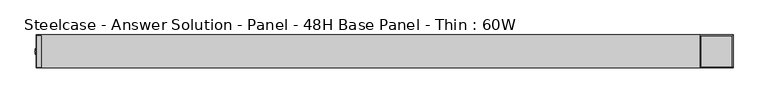
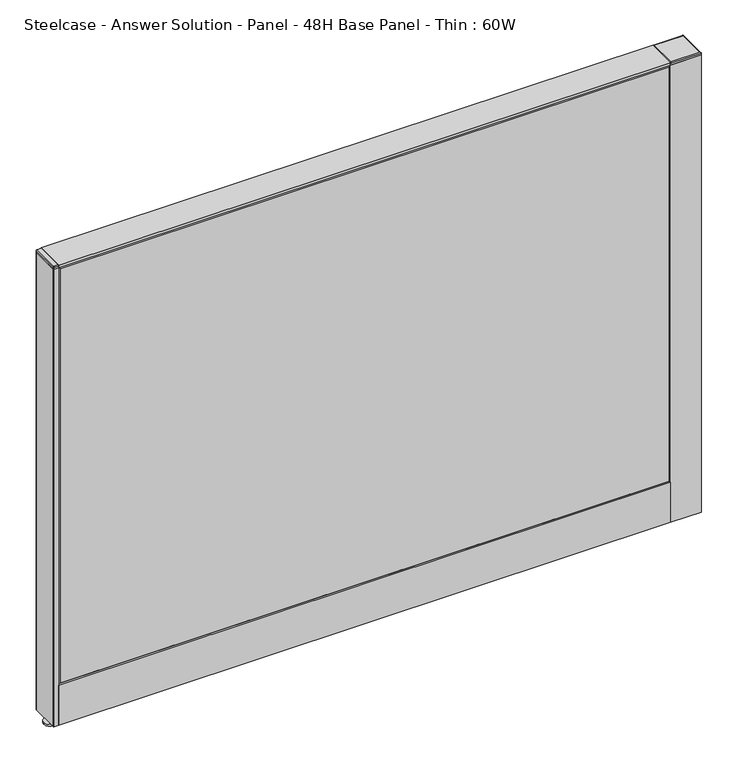
"""IFC4 building model written with IfcOpenShell, lengths in millimetres: furniture geometry, Steelcase - Answer Solution - Panel - 48H Base Panel - Thin : 60W."""

from ifc_helpers import new_model, si_unit, point, frame, frame_2d, origin, place, context, project, spatial, polyline, circle_curve, ellipse_curve, trimmed, segment, composite_curve, outline, extrude, faceted_brep, source, transform, mapped, element, save
from ifc_brep_helpers import plane_surface, cylinder_surface, revolved_surface, advanced_brep


def steelcase_answer_solution_panel_48h_base_panel_thin_60w_dbff73ae(model_context):
    return source(origin(), model_context, "Body", "SolidModel", [
        extrude(outline(polyline([(37.3075215, 119.8575157), (25.4000011, 119.8575157), (25.4000011, 120.65), (38.1000194, 120.65), (38.1000194, 15.494), (37.3075215, 15.494), (37.3075215, 119.8575157)])), frame((-762.0, 0.0, 0.0), z_axis=(1.0, 0.0, 0.0), x_axis=(0.0, 1.0, 0.0)), (0.0, 0.0, 1.0), 1524.0),
        extrude(outline(polyline([(-37.3075215, 119.8575157), (-37.3075215, 15.494), (-38.1000194, 15.494), (-38.1000194, 120.65), (-25.4000011, 120.65), (-25.4000011, 119.8575157), (-37.3075215, 119.8575157)])), frame((-762.0, 0.0, 0.0), z_axis=(1.0, 0.0, 0.0), x_axis=(0.0, 1.0, 0.0)), (0.0, 0.0, 1.0), 1524.0),
        extrude(outline(composite_curve([segment(trimmed(circle_curve(frame_2d((800.1, -1.94e-05)), 5.08), [point((805.18, -1.94e-05))], [point((795.02, -1.94e-05))], False, "CARTESIAN"), True, "CONTINUOUS"), segment(trimmed(circle_curve(frame_2d((800.1, -1.94e-05)), 5.08), [point((795.02, -1.94e-05))], [point((805.18, -1.94e-05))], False, "CARTESIAN"), True, "CONTINUOUS")], self_intersect=False)), frame((0.0, 0.0, 5.0799671), z_axis=(0.0, 0.0, 1.0), x_axis=(1.0, 0.0, 0.0)), (0.0, 0.0, 1.0), 10.414),
        extrude(outline(composite_curve([segment(trimmed(circle_curve(frame_2d((800.1, -1.94e-05)), 15.24), [point((815.34, -1.94e-05))], [point((784.86, -1.94e-05))], False, "CARTESIAN"), True, "CONTINUOUS"), segment(trimmed(circle_curve(frame_2d((800.1, -1.94e-05)), 15.24), [point((784.86, -1.94e-05))], [point((815.34, -1.94e-05))], False, "CARTESIAN"), True, "CONTINUOUS")], self_intersect=False)), frame((0.0, 0.0, -3.29e-05), z_axis=(0.0, 0.0, 1.0), x_axis=(1.0, 0.0, 0.0)), (0.0, 0.0, 1.0), 5.08),
        advanced_brep(
        [(836.422, 36.322, 1225.5499671), (838.2, 38.1, 1223.7719671), (762.0, 38.1, 1223.7719671), (763.778, 36.322, 1225.5499671), (762.0, -38.1, 1223.7719671), (763.778, -36.322, 1225.5499671), (838.2, -38.1, 1223.7719671), (836.422, -36.322, 1225.5499671), (762.0, -38.1, 1219.1999671), (762.0, 38.1, 1219.1999671), (838.2, 38.1, 1219.1999671), (838.2, -38.1, 1219.1999671)],
        [
            (0, 1, ellipse_curve(frame((836.3231577, 36.2231577, 1223.6731247), z_axis=(-0.7071067811865449, 0.7071067811865501, 0.0), x_axis=(0.7071067811865501, 0.7071067811865448, 0.0)), 2.6579341, 1.8794432)),
            (1, 2),
            (2, 3, ellipse_curve(frame((763.8768423, 36.2231577, 1223.6731247), z_axis=(0.7071067811865501, 0.7071067811865449, 0.0), x_axis=(0.7071067811865448, -0.7071067811865501, 0.0)), 2.6579341, 1.8794432)),
            (3, 0),
            (2, 4),
            (4, 5, ellipse_curve(frame((763.8768423, -36.2231577, 1223.6731247), z_axis=(-0.7071067811865449, 0.7071067811865501, 0.0), x_axis=(0.7071067811865501, 0.7071067811865448, 0.0)), 2.6579341, 1.8794432)),
            (5, 3),
            (4, 6),
            (6, 7, ellipse_curve(frame((836.3231577, -36.2231577, 1223.6731247), z_axis=(-0.7071067811865501, -0.7071067811865449, 0.0), x_axis=(-0.7071067811865448, 0.7071067811865501, 0.0)), 2.6579341, 1.8794432)),
            (7, 5),
            (0, 7),
            (6, 1),
            (8, 9),
            (9, 10),
            (10, 11),
            (11, 8),
            (11, 6),
            (4, 8),
            (10, 1),
            (9, 2),
        ],
        [
            cylinder_surface(frame((838.2, 36.2231577, 1223.6731247), z_axis=(1.0, 0.0, 0.0), x_axis=(0.0, -1.0, 0.0)), 1.8794432),
            cylinder_surface(frame((763.8768423, 38.1, 1223.6731247), z_axis=(0.0, 1.0, 0.0), x_axis=(1.0, 0.0, 0.0)), 1.8794432),
            cylinder_surface(frame((762.0, -36.2231577, 1223.6731247), z_axis=(-1.0, 0.0, 0.0), x_axis=(0.0, 1.0, 0.0)), 1.8794432),
            cylinder_surface(frame((836.3231577, -38.1, 1223.6731247), z_axis=(0.0, -1.0, 0.0), x_axis=(-1.0, 0.0, 0.0)), 1.8794432),
            plane_surface(frame((836.422, -36.322, 1225.5499671), z_axis=(0.0, 0.0, 1.0), x_axis=(0.0, 1.0, 0.0))),
            plane_surface(frame((838.2, -38.1, 1219.1999671), z_axis=(0.0, 0.0, -1.0), x_axis=(-1.0, 0.0, 0.0))),
            plane_surface(frame((762.0, -38.1, 1223.7719671), z_axis=(0.0, -1.0, 0.0), x_axis=(0.0, 0.0, -1.0))),
            plane_surface(frame((838.2, -38.1, 1223.7719671), z_axis=(1.0, 0.0, 0.0), x_axis=(0.0, 0.0, -1.0))),
            plane_surface(frame((838.2, 38.1, 1223.7719671), z_axis=(0.0, 1.0, 0.0), x_axis=(0.0, 0.0, -1.0))),
            plane_surface(frame((762.0, 38.1, 1223.7719671), z_axis=(-1.0, 0.0, 0.0), x_axis=(0.0, 0.0, -1.0))),
        ],
        [
            (0, [[1, 2, 3, 4]]),
            (1, [[-3, 5, 6, 7]]),
            (2, [[-6, 8, 9, 10]]),
            (3, [[-1, 11, -9, 12]]),
            (4, [[-4, -7, -10, -11]]),
            (5, [[13, 14, 15, 16]]),
            (6, [[-16, 17, -8, 18]]),
            (7, [[-15, 19, -12, -17]]),
            (8, [[-14, 20, -2, -19]]),
            (9, [[-13, -18, -5, -20]]),
        ],
    ),
        extrude(outline(polyline([(838.2, 38.1), (838.2, -38.1), (762.0, -38.1), (762.0, 38.1), (838.2, 38.1)])), frame((0.0, 0.0, 15.4939671), z_axis=(0.0, 0.0, 1.0), x_axis=(1.0, 0.0, 0.0)), (0.0, 0.0, 1.0), 1203.706),
        extrude(outline(composite_curve([segment(trimmed(circle_curve(frame_2d((-762.0, -1.94e-05)), 5.08), [point((-767.08, -1.94e-05))], [point((-756.92, -1.94e-05))], False, "CARTESIAN"), True, "CONTINUOUS"), segment(trimmed(circle_curve(frame_2d((-762.0, -1.94e-05)), 5.08), [point((-756.92, -1.94e-05))], [point((-767.08, -1.94e-05))], False, "CARTESIAN"), True, "CONTINUOUS")], self_intersect=False)), frame((0.0, 0.0, 5.0799671), z_axis=(0.0, 0.0, 1.0), x_axis=(1.0, 0.0, 0.0)), (0.0, 0.0, 1.0), 10.414),
        extrude(outline(composite_curve([segment(trimmed(circle_curve(frame_2d((-762.0, -1.94e-05)), 15.24), [point((-777.24, -1.94e-05))], [point((-746.76, -1.94e-05))], False, "CARTESIAN"), True, "CONTINUOUS"), segment(trimmed(circle_curve(frame_2d((-762.0, -1.94e-05)), 15.24), [point((-746.76, -1.94e-05))], [point((-777.24, -1.94e-05))], False, "CARTESIAN"), True, "CONTINUOUS")], self_intersect=False)), frame((0.0, 0.0, -3.29e-05), z_axis=(0.0, 0.0, 1.0), x_axis=(1.0, 0.0, 0.0)), (0.0, 0.0, 1.0), 5.08),
        advanced_brep(
        [(-772.922, -36.322, 1225.5499671), (-762.0, -36.322, 1225.5499671), (-762.0, 36.322, 1225.5499671), (-772.922, 36.322, 1225.5499671), (-774.7, -36.322, 1223.7719671), (-772.922, -38.1, 1223.7719671), (-774.7, 36.322, 1223.7719671), (-772.922, 38.1, 1223.7719671), (-762.0, 38.1, 1223.7719671), (-762.0, -38.1, 1223.7719671), (-762.0, -38.1, 1219.1999671), (-762.0, 38.1, 1219.1999671), (-774.7, 36.322, 1219.1999671), (-772.922, 38.1, 1219.1999671), (-772.922, -38.1, 1219.1999671), (-774.7, -36.322, 1219.1999671)],
        [
            (0, 1),
            (1, 2),
            (2, 3),
            (3, 0),
            (4, 5, circle_curve(frame((-772.922, -36.322, 1223.7719671), z_axis=(0.0, 1.8009403492312287e-12, 1.0), x_axis=(0.0, -1.0, 1.8008960501119156e-12)), 1.778)),
            (5, 0),
            (0, 4),
            (3, 6),
            (6, 4),
            (3, 7),
            (7, 6, circle_curve(frame((-772.922, 36.322, 1223.7719671), z_axis=(0.0, -5.414716294386099e-12, 1.0), x_axis=(-1.0, 0.0, 0.0)), 1.778)),
            (2, 8),
            (8, 7),
            (1, 9),
            (9, 10),
            (10, 11),
            (11, 8),
            (5, 9),
            (12, 6),
            (7, 13),
            (13, 12, circle_curve(frame((-772.922, 36.322, 1219.1999671), z_axis=(0.0, 0.0, 1.0), x_axis=(1.0, 0.0, 0.0)), 1.778)),
            (11, 13),
            (5, 14),
            (14, 10),
            (4, 15),
            (15, 14, circle_curve(frame((-772.922, -36.322, 1219.1999671), z_axis=(0.0, 0.0, 1.0), x_axis=(1.0, 0.0, 0.0)), 1.778)),
            (12, 15),
        ],
        [
            plane_surface(frame((-767.461, 0.0, 1225.5499671), z_axis=(0.0, 0.0, 1.0), x_axis=(0.0, 1.0, 0.0))),
            revolved_surface(polyline([(-772.922, -36.322, 1225.5499671), (-774.7000000000032, -36.322, 1223.7719670999968)]), (-772.922, -36.322, 1225.5499671), (0.0, -1.8009403492312287e-12, -1.0)),
            plane_surface(frame((-774.7, 0.0, 1223.7719671), z_axis=(-0.7071067811865476, 0.0, 0.7071067811865476), x_axis=(0.0, 1.0, 0.0))),
            revolved_surface(polyline([(-772.922, 36.322, 1225.5499671), (-772.922, 38.1, 1223.7719671)]), (-772.922, 36.322, 1225.5499671), (0.0, 5.414716294386099e-12, -1.0)),
            plane_surface(frame((-767.461, 38.1, 1223.7719671), z_axis=(0.0, 0.7071067811846348, 0.7071067811884603), x_axis=(1.0, 0.0, 0.0))),
            plane_surface(frame((-762.0, 0.0, 1223.7719671), z_axis=(1.0, 0.0, 0.0), x_axis=(0.0, -1.0, 0.0))),
            plane_surface(frame((-767.461, -38.1, 1223.7719671), z_axis=(0.0, -0.7071067811859125, 0.7071067811871826), x_axis=(-1.0, 0.0, 0.0))),
            cylinder_surface(frame((-772.922, 36.322, 1219.1999671), z_axis=(0.0, 0.0, 1.0), x_axis=(1.0, 0.0, 0.0)), 1.778),
            plane_surface(frame((-772.922, 38.1, 1223.7719671), z_axis=(0.0, 1.0, 0.0), x_axis=(0.0, 0.0, -1.0))),
            plane_surface(frame((-762.0, -38.1, 1223.7719671), z_axis=(0.0, -1.0, 0.0), x_axis=(0.0, 0.0, -1.0))),
            cylinder_surface(frame((-772.922, -36.322, 1219.1999671), z_axis=(0.0, 0.0, 1.0), x_axis=(1.0, 0.0, 0.0)), 1.778),
            plane_surface(frame((-774.7, -36.322, 1223.7719671), z_axis=(-1.0, 0.0, 0.0), x_axis=(0.0, 0.0, -1.0))),
            plane_surface(frame((-771.144, 36.322, 1219.1999671), z_axis=(0.0, 0.0, -1.0), x_axis=(0.0, 1.0, 0.0))),
        ],
        [
            (0, [[1, 2, 3, 4]]),
            (1, [[5, 6, 7]]),
            (2, [[8, 9, -7, -4]]),
            (3, [[10, 11, -8]]),
            (4, [[12, 13, -10, -3]]),
            (5, [[14, 15, 16, 17, -12, -2]]),
            (6, [[-6, 18, -14, -1]]),
            (7, [[19, -11, 20, 21]]),
            (8, [[-20, -13, -17, 22]]),
            (9, [[-15, -18, 23, 24]]),
            (10, [[-23, -5, 25, 26]]),
            (11, [[-25, -9, -19, 27]]),
            (12, [[-21, -22, -16, -24, -26, -27]]),
        ],
    ),
        extrude(outline(composite_curve([segment(trimmed(circle_curve(frame_2d((-772.922, 36.322)), 1.778), [point((-774.7, 36.322))], [point((-772.922, 38.1))], False, "CARTESIAN"), True, "CONTINUOUS"), segment(polyline([(-772.922, 38.1), (-762.0, 38.1), (-762.0, -38.1), (-772.922, -38.1)]), True, "CONTINUOUS"), segment(trimmed(circle_curve(frame_2d((-772.922, -36.322)), 1.778), [point((-772.922, -38.1))], [point((-774.7, -36.322))], False, "CARTESIAN"), True, "CONTINUOUS"), segment(polyline([(-774.7, -36.322), (-774.7, 36.322)]), True, "CONTINUOUS")], self_intersect=False)), frame((0.0, 0.0, 15.4939671), z_axis=(0.0, 0.0, 1.0), x_axis=(1.0, 0.0, 0.0)), (0.0, 0.0, 1.0), 1203.706),
        faceted_brep([(-757.174, 38.0960551, 1214.374), (757.174, 38.0960551, 1214.374), (757.174, 38.0960551, 125.476), (-757.174, 38.0960551, 125.476), (-762.0, 33.2700551, 1219.2), (-762.0, 33.2700551, 120.65), (762.0, 33.2700551, 120.65), (762.0, 33.2700551, 1219.2)], [[[0, 1, 2, 3]], [[4, 5, 6, 7]], [[4, 7, 1, 0]], [[7, 6, 2, 1]], [[6, 5, 3, 2]], [[5, 4, 0, 3]]]),
        faceted_brep([(757.174, -38.0960551, 1214.374), (-757.174, -38.0960551, 1214.374), (-757.174, -38.0960551, 125.476), (757.174, -38.0960551, 125.476), (762.0, -33.2700551, 1219.2), (762.0, -33.2700551, 120.65), (-762.0, -33.2700551, 120.65), (-762.0, -33.2700551, 1219.2)], [[[0, 1, 2, 3]], [[4, 5, 6, 7]], [[4, 7, 1, 0]], [[7, 6, 2, 1]], [[6, 5, 3, 2]], [[5, 4, 0, 3]]]),
        extrude(outline(polyline([(762.0, 38.1000194), (762.0, -38.1000194), (-762.0, -38.1000194), (-762.0, 38.1000194), (762.0, 38.1000194)])), frame((0.0, 0.0, 1219.2), z_axis=(0.0, 0.0, 1.0), x_axis=(1.0, 0.0, 0.0)), (0.0, 0.0, 1.0), 6.35),
    ])


if __name__ == "__main__":
    model = new_model("IFC4")
    model_context = context("Model", 3, world=origin())
    ifc_project = project(units=[si_unit("LENGTHUNIT", "METRE", prefix="MILLI")], contexts=[model_context])
    site = spatial("IfcSite", under=ifc_project)
    building = spatial("IfcBuilding", under=site)
    placement = place(None, origin())
    steelcase_answer_solution_panel_48h_base_panel_thin_60w_shape = steelcase_answer_solution_panel_48h_base_panel_thin_60w_dbff73ae(model_context)
    element("IfcFurniture", 1, ObjectType="Steelcase - Answer Solution - Panel - 48H Base Panel - Thin : 60W", at=placement, inside=building, context=model_context, shape_type="MappedRepresentation", body=[
        mapped(steelcase_answer_solution_panel_48h_base_panel_thin_60w_shape, transform((0.0, 0.0, 0.0), x_axis=(1.0, 0.0, 0.0), y_axis=(0.0, 1.0, 0.0), z_axis=(0.0, 0.0, 1.0))),
    ])
    save(model, "model.ifc")
